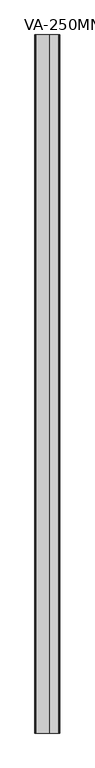
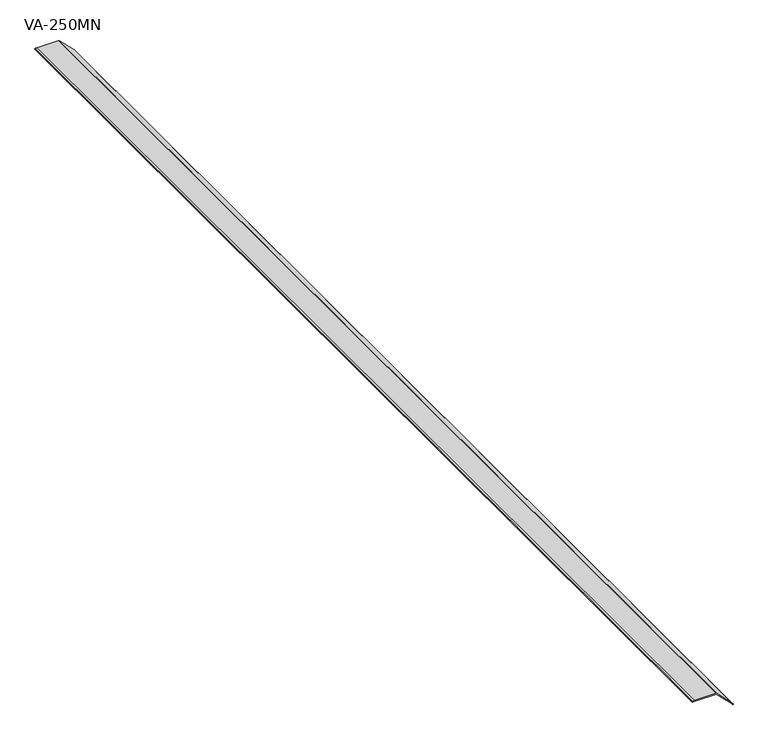
"""IFC4 building model written with IfcOpenShell, lengths in millimetres: proxy geometry, VA-250MN."""

from ifc_helpers import new_model, si_unit, point, frame, frame_2d, origin, place, context, project, spatial, polyline, circle_curve, trimmed, segment, composite_curve, outline, extrude, source, transform, mapped, element, save


def va_250mn_ac6ee5f8(model_context):
    return source(origin(), model_context, "Body", "SweptSolid", [
        extrude(outline(composite_curve([segment(polyline([(1.3005343, -55.4140695), (1.3005343, 0.7916296), (-38.3940338, 40.4861977), (-43.4562966, 44.5842199), (-42.5784965, 45.46202)]), True, "CONTINUOUS"), segment(trimmed(circle_curve(frame_2d((-41.721467, 44.6049906)), 1.2120227), [point((-42.5784965, 45.46202))], [point((-40.9951024, 45.5752449))], False, "CARTESIAN"), True, "CONTINUOUS"), segment(polyline([(-40.9951024, 45.5752449), (-36.6617758, 42.0136066), (2.6835669, 2.6682639)]), True, "CONTINUOUS"), segment(trimmed(circle_curve(frame_2d((0.4785174, 0.4632144)), 3.1184108), [point((2.6835669, 2.6682639))], [point((3.562333, 0.0))], False, "CARTESIAN"), True, "CONTINUOUS"), segment(polyline([(3.562333, 0.0), (3.562333, -55.5271594), (2.9907949, -60.7694238)]), True, "CONTINUOUS"), segment(trimmed(circle_curve(frame_2d((1.8688048, -60.737759)), 1.1224369), [point((2.9907949, -60.7694238))], [point((1.8688048, -61.8601959))], False, "CARTESIAN"), True, "CONTINUOUS"), segment(polyline([(1.8688048, -61.8601959), (0.6378484, -61.8601959), (1.3005343, -55.4140695)]), True, "CONTINUOUS")], self_intersect=False)), frame((0.0, -1141.4125, 0.0), z_axis=(0.0, 1.0, 0.0), x_axis=(0.0, 0.0, 1.0)), (0.0, 0.0, 1.0), 3021.0125),
    ])


if __name__ == "__main__":
    model = new_model("IFC4")
    model_context = context("Model", 3, world=origin())
    ifc_project = project(units=[si_unit("LENGTHUNIT", "METRE", prefix="MILLI")], contexts=[model_context])
    site = spatial("IfcSite", under=ifc_project)
    building = spatial("IfcBuilding", under=site)
    placement = place(None, origin())
    va_250mn_shape = va_250mn_ac6ee5f8(model_context)
    element("IfcBuildingElementProxy", 1, Name="VA-250MN", ObjectType="VA-250MN", at=placement, inside=building, context=model_context, shape_type="MappedRepresentation", body=[
        mapped(va_250mn_shape, transform((0.0, 0.0, 0.0), x_axis=(1.0, 0.0, 0.0), y_axis=(0.0, 1.0, 0.0), z_axis=(0.0, 0.0, 1.0))),
    ])
    save(model, "model.ifc")
